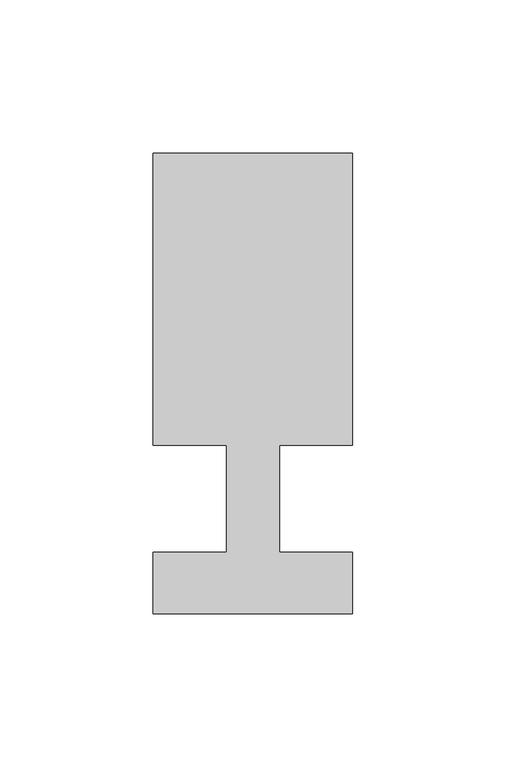
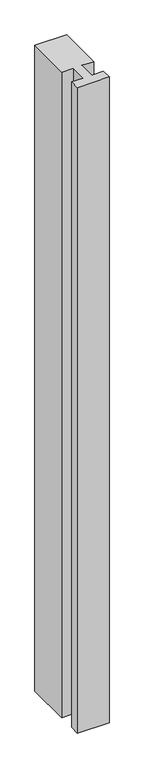
"""IFC4 building model written with IfcOpenShell, lengths in millimetres: member geometry."""

from ifc_helpers import new_model, si_unit, frame, origin, place, context, project, spatial, polyline, outline, extrude, source, transform, mapped, element, save


def member_4c2321f0(model_context):
    return source(origin(), model_context, "Body", "SweptSolid", [
        extrude(outline(polyline([(0.0, -37.0), (-65.0, -37.0), (-65.0, -17.0), (-41.1875, -17.0), (-41.1875, 18.0), (-65.0, 18.0), (-65.0, 113.0), (0.0, 113.0), (0.0, 18.0), (-23.8125, 18.0), (-23.8125, -17.0), (0.0, -17.0), (0.0, -37.0)])), frame((0.0, 0.0, -1395.525), z_axis=(0.0, 0.0, 1.0), x_axis=(1.0, 0.0, 0.0)), (0.0, 0.0, 1.0), 1395.525),
    ])


if __name__ == "__main__":
    model = new_model("IFC4")
    model_context = context("Model", 3, world=origin())
    ifc_project = project(units=[si_unit("LENGTHUNIT", "METRE", prefix="MILLI")], contexts=[model_context])
    site = spatial("IfcSite", under=ifc_project)
    building = spatial("IfcBuilding", under=site)
    placement = place(None, origin())
    member_shape = member_4c2321f0(model_context)
    element("IfcMember", 1, at=placement, inside=building, context=model_context, shape_type="MappedRepresentation", body=[
        mapped(member_shape, transform((0.0, 0.0, 0.0), x_axis=(1.0, 0.0, 0.0), y_axis=(0.0, 1.0, 0.0), z_axis=(0.0, 0.0, 1.0))),
    ])
    save(model, "model.ifc")
